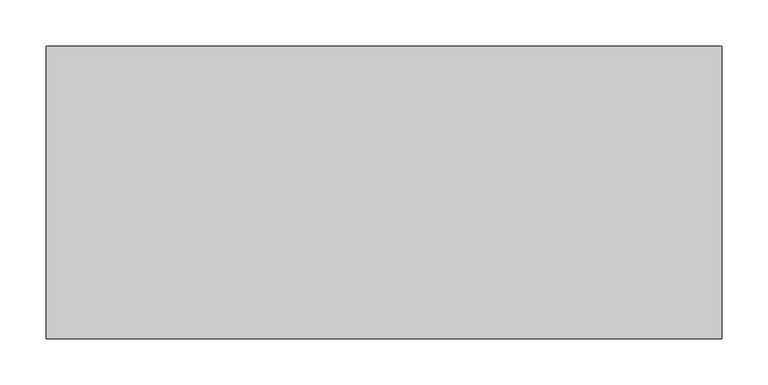
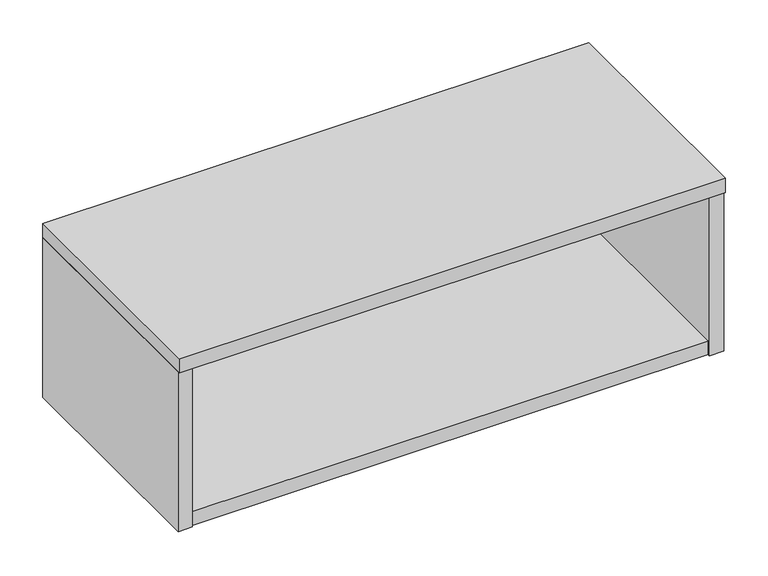
"""IFC4 building model written with IfcOpenShell, lengths in millimetres: furniture geometry."""

from ifc_helpers import new_model, si_unit, frame, origin, place, context, project, spatial, polyline, outline, extrude, source, transform, mapped, element, save


def furniture_44b495e7(model_context):
    return source(origin(), model_context, "Body", "SweptSolid", [
        extrude(outline(polyline([(20.8280006, -34.1629992), (20.8280006, -14.8589995), (715.7720184, -14.8589995), (715.7720184, -34.1629992), (20.8280006, -34.1629992)])), frame((0.0, 0.0, 816.4906198), z_axis=(0.0, 0.0, 1.0), x_axis=(1.0, 0.0, 0.0)), (0.0, 0.0, 1.0), 208.2292049),
        extrude(outline(polyline([(20.8280006, -311.4039937), (20.8280006, 0.0), (715.7720184, 0.0), (715.7720184, -311.4039937), (20.8280006, -311.4039937)])), frame((0.0, 0.0, 797.18662), z_axis=(0.0, 0.0, 1.0), x_axis=(1.0, 0.0, 0.0)), (0.0, 0.0, 1.0), 19.3039998),
        extrude(outline(polyline([(20.8280006, -314.4519908), (1.524, -314.4519908), (1.524, 0.0), (20.8280006, 0.0), (20.8280006, -314.4519908)])), frame((0.0, 0.0, 797.18662), z_axis=(0.0, 0.0, 1.0), x_axis=(1.0, 0.0, 0.0)), (0.0, 0.0, 1.0), 227.5332047),
        extrude(outline(polyline([(735.076, -314.4519908), (715.7720184, -314.4519908), (715.7720184, 0.0), (735.076, 0.0), (735.076, -314.4519908)])), frame((0.0, 0.0, 797.18662), z_axis=(0.0, 0.0, 1.0), x_axis=(1.0, 0.0, 0.0)), (0.0, 0.0, 1.0), 227.5332047),
        extrude(outline(polyline([(1.524, 0.0), (735.076, 0.0), (735.076, -317.5), (1.524, -317.5), (1.524, 0.0)])), frame((0.0, 0.0, 1024.7198247), z_axis=(0.0, 0.0, 1.0), x_axis=(1.0, 0.0, 0.0)), (0.0, 0.0, 1.0), 20.1167953),
    ])


if __name__ == "__main__":
    model = new_model("IFC4")
    model_context = context("Model", 3, world=origin())
    ifc_project = project(units=[si_unit("LENGTHUNIT", "METRE", prefix="MILLI")], contexts=[model_context])
    site = spatial("IfcSite", under=ifc_project)
    building = spatial("IfcBuilding", under=site)
    placement = place(None, origin())
    furniture_shape = furniture_44b495e7(model_context)
    element("IfcFurniture", 1, at=placement, inside=building, context=model_context, shape_type="MappedRepresentation", body=[
        mapped(furniture_shape, transform((0.0, 0.0, 0.0), x_axis=(1.0, 0.0, 0.0), y_axis=(0.0, 1.0, 0.0), z_axis=(0.0, 0.0, 1.0))),
    ])
    save(model, "model.ifc")
